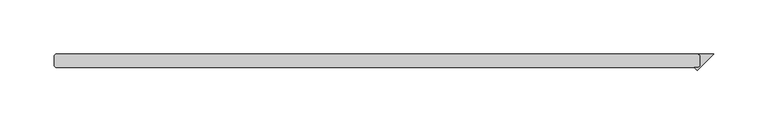
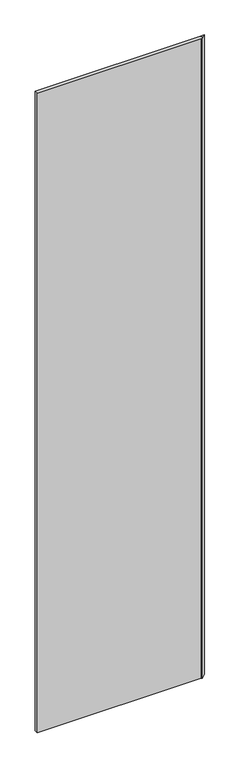
"""IFC4 building model written with IfcOpenShell, lengths in millimetres: plate geometry."""

from ifc_helpers import new_model, si_unit, origin, origin_with_axes, place, context, project, spatial, polyline, outline, extrude, source, transform, mapped, element, save


def plate_0536c888(model_context):
    return source(origin(), model_context, "Body", "SweptSolid", [
        extrude(outline(polyline([(280.590625, -25.4), (279.003125, -23.8125), (293.290625, -23.8125), (277.880593, -39.222532), (275.170561, -36.5125), (279.003125, -36.5125), (280.590625, -34.925), (280.590625, -25.4)])), origin_with_axes(), (0.0, 0.0, 1.0), 2428.7789267),
        extrude(outline(polyline([(279.003125, -23.8125), (280.590625, -25.4), (280.590625, -34.925), (279.003125, -36.5125), (-315.515625, -36.5125), (-317.103125, -34.925), (-317.103125, -25.4), (-315.515625, -23.8125), (279.003125, -23.8125)])), origin_with_axes(), (0.0, 0.0, 1.0), 2428.7789267),
    ])


if __name__ == "__main__":
    model = new_model("IFC4")
    model_context = context("Model", 3, world=origin())
    ifc_project = project(units=[si_unit("LENGTHUNIT", "METRE", prefix="MILLI")], contexts=[model_context])
    site = spatial("IfcSite", under=ifc_project)
    building = spatial("IfcBuilding", under=site)
    placement = place(None, origin())
    plate_shape = plate_0536c888(model_context)
    element("IfcPlate", 1, at=placement, inside=building, context=model_context, shape_type="MappedRepresentation", body=[
        mapped(plate_shape, transform((0.0, 0.0, 0.0), x_axis=(1.0, 0.0, 0.0), y_axis=(0.0, 1.0, 0.0), z_axis=(0.0, 0.0, 1.0))),
    ])
    save(model, "model.ifc")
